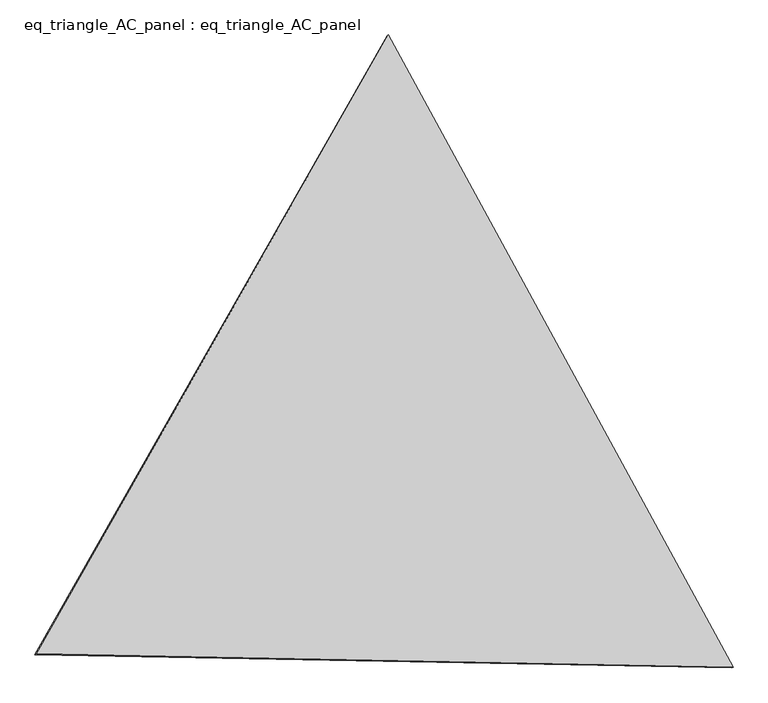
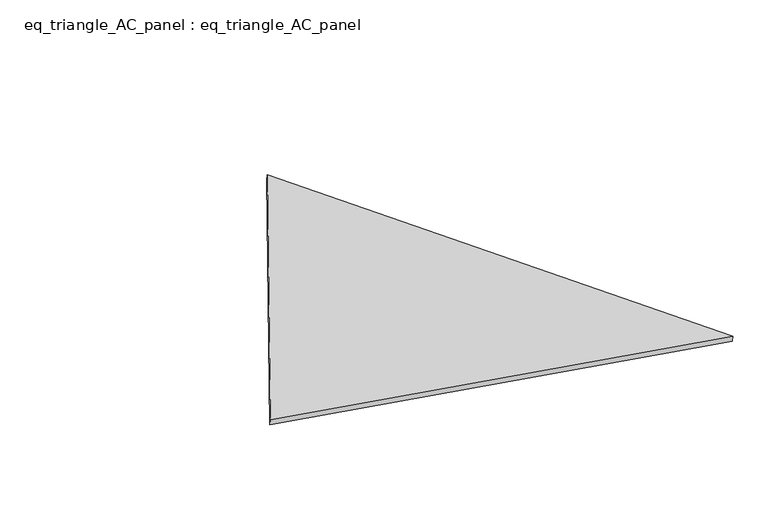
"""IFC4 building model written with IfcOpenShell, lengths in millimetres: proxy geometry, eq_triangle_AC_panel : eq_triangle_AC_panel."""

from ifc_helpers import new_model, si_unit, frame, origin, place, context, project, spatial, polyline, outline, extrude, source, transform, mapped, element, save


def eq_triangle_ac_panel_eq_triangle_ac_panel_c3ee283e(model_context):
    return source(origin(), model_context, "Body", "SweptSolid", [
        extrude(outline(polyline([(-2091.2842303, 1173.1700195), (2032.8306628, 1173.1700196), (58.4535673, -2346.3400391), (-2091.2842303, 1173.1700195)])), frame((0.0038051, 527.9290861, 89.8240019), z_axis=(0.14526328518060905, 0.08386570281802103, 0.9858321976225856), x_axis=(0.47858499780003727, -0.8780313029549783, 0.004175034361709663)), (0.0, 0.0, 1.0), 43.8306294),
    ])


if __name__ == "__main__":
    model = new_model("IFC4")
    model_context = context("Model", 3, world=origin())
    ifc_project = project(units=[si_unit("LENGTHUNIT", "METRE", prefix="MILLI")], contexts=[model_context])
    site = spatial("IfcSite", under=ifc_project)
    building = spatial("IfcBuilding", under=site)
    placement = place(None, origin())
    eq_triangle_ac_panel_eq_triangle_ac_panel_shape = eq_triangle_ac_panel_eq_triangle_ac_panel_c3ee283e(model_context)
    element("IfcBuildingElementProxy", 1, Name="eq_triangle_AC_panel : eq_triangle_AC_panel", ObjectType="eq_triangle_AC_panel : eq_triangle_AC_panel", at=placement, inside=building, context=model_context, shape_type="MappedRepresentation", body=[
        mapped(eq_triangle_ac_panel_eq_triangle_ac_panel_shape, transform((0.0, 0.0, 0.0), x_axis=(1.0, 0.0, 0.0), y_axis=(0.0, 1.0, 0.0), z_axis=(0.0, 0.0, 1.0))),
    ])
    save(model, "model.ifc")
